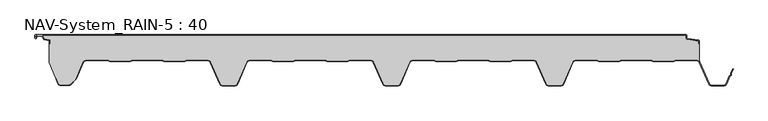
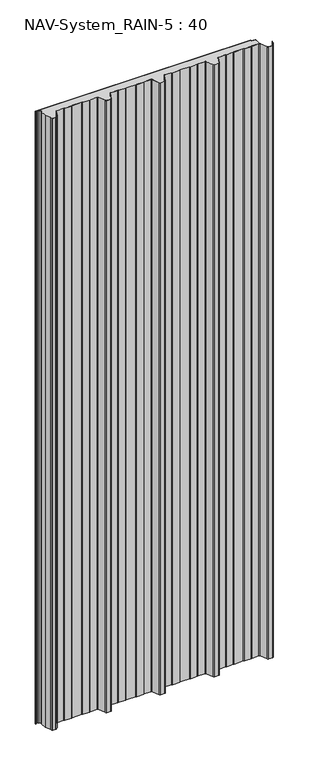
"""IFC4 building model written with IfcOpenShell, lengths in millimetres: plate geometry, NAV-System_RAIN-5 : 40."""

from ifc_helpers import new_model, si_unit, point, frame_2d, origin, origin_with_axes, place, context, project, spatial, polyline, circle_curve, trimmed, segment, composite_curve, outline, extrude, source, transform, mapped, element, save


def nav_system_rain_5_40_d8ed60e4(model_context):
    return source(origin(), model_context, "Body", "SweptSolid", [
        extrude(outline(composite_curve([segment(polyline([(519.0, -13.6767555), (518.2, -13.6767555), (518.2, -9.3721283), (500.4911207, -6.8818536)]), True, "CONTINUOUS"), segment(trimmed(circle_curve(frame_2d((500.7, -5.3964683)), 1.5), [point((500.4911207, -6.8818536))], [point((499.2, -5.3964683))], False, "CARTESIAN"), True, "CONTINUOUS"), segment(polyline([(499.2, -5.3964683), (499.2, -0.8), (-498.7, -0.8)]), True, "CONTINUOUS"), segment(trimmed(circle_curve(frame_2d((-498.7, -1.3)), 0.5), [point((-498.7, -0.8))], [point((-499.2, -1.3))], True, "CARTESIAN"), True, "CONTINUOUS"), segment(polyline([(-499.2, -1.3), (-499.2, -4.3700191)]), True, "CONTINUOUS"), segment(trimmed(circle_curve(frame_2d((-498.7, -4.3700191)), 0.5), [point((-499.2, -4.3700191))], [point((-498.2669873, -4.6200191))], True, "CARTESIAN"), True, "CONTINUOUS"), segment(polyline([(-498.2669873, -4.6200191), (-496.2924383, -1.2), (-488.9841833, -1.2), (-485.8164586, -6.6866602), (-477.2, -7.898332), (-477.2, -13.6767555), (-478.0, -13.6767555), (-478.0, -8.5937048), (-485.6863953, -7.5128213)]), True, "CONTINUOUS"), segment(trimmed(circle_curve(frame_2d((-485.5053666, -6.2254873)), 1.3), [point((-485.6863953, -7.5128213))], [point((-486.6311996, -6.8754873))], False, "CARTESIAN"), True, "CONTINUOUS"), segment(polyline([(-486.6311996, -6.8754873), (-489.4460636, -2.0), (-495.8305581, -2.0), (-497.574167, -5.0200191)]), True, "CONTINUOUS"), segment(trimmed(circle_curve(frame_2d((-498.7, -4.3700191)), 1.3), [point((-497.574167, -5.0200191))], [point((-500.0, -4.3700191))], False, "CARTESIAN"), True, "CONTINUOUS"), segment(polyline([(-500.0, -4.3700191), (-500.0, -1.3)]), True, "CONTINUOUS"), segment(trimmed(circle_curve(frame_2d((-498.7, -1.3)), 1.3), [point((-500.0, -1.3))], [point((-498.7, 0.0))], False, "CARTESIAN"), True, "CONTINUOUS"), segment(polyline([(-498.7, 0.0), (498.7, 0.0)]), True, "CONTINUOUS"), segment(trimmed(circle_curve(frame_2d((498.7, -1.3)), 1.3), [point((498.7, 0.0))], [point((500.0, -1.3))], False, "CARTESIAN"), True, "CONTINUOUS"), segment(polyline([(500.0, -1.3), (500.0, -5.3964683)]), True, "CONTINUOUS"), segment(trimmed(circle_curve(frame_2d((500.7, -5.3964683)), 0.7), [point((500.0, -5.3964683))], [point((500.602523, -6.0896481))], True, "CARTESIAN"), True, "CONTINUOUS"), segment(polyline([(500.602523, -6.0896481), (517.8810287, -8.5194024)]), True, "CONTINUOUS"), segment(trimmed(circle_curve(frame_2d((517.7, -9.8067363)), 1.3), [point((517.8810287, -8.5194024))], [point((519.0, -9.8067363))], False, "CARTESIAN"), True, "CONTINUOUS"), segment(polyline([(519.0, -9.8067363), (519.0, -13.6767555)]), True, "CONTINUOUS")], self_intersect=False)), origin_with_axes(), (0.0, 0.0, 1.0), 3000.0),
        extrude(outline(composite_curve([segment(trimmed(circle_curve(frame_2d((515.5898022, -44.0)), 4.8), [point((519.0, -40.6220493))], [point((515.5898022, -39.2))], True, "CARTESIAN"), True, "CONTINUOUS"), segment(polyline([(515.5898022, -39.2), (483.6922468, -39.2), (479.6508228, -40.7), (448.0723788, -40.6741102), (444.1768702, -39.2), (400.3589135, -39.2), (396.3174895, -40.7), (364.7390455, -40.6741102), (360.8435369, -39.2), (328.9416341, -39.2)]), True, "CONTINUOUS"), segment(trimmed(circle_curve(frame_2d((328.9416341, -44.0)), 4.8), [point((328.9416341, -39.2))], [point((324.5314363, -42.1052295))], True, "CARTESIAN"), True, "CONTINUOUS"), segment(polyline([(324.5314363, -42.1052295), (310.330878, -75.1579242)]), True, "CONTINUOUS"), segment(trimmed(circle_curve(frame_2d((306.4719549, -73.5)), 4.2), [point((310.330878, -75.1579242))], [point((306.4719549, -77.7))], False, "CARTESIAN"), True, "CONTINUOUS"), segment(polyline([(306.4719549, -77.7), (288.0594814, -77.7)]), True, "CONTINUOUS"), segment(trimmed(circle_curve(frame_2d((288.0594814, -73.5)), 4.2), [point((288.0594814, -77.7))], [point((284.2005583, -75.1579242))], False, "CARTESIAN"), True, "CONTINUOUS"), segment(polyline([(284.2005583, -75.1579242), (270.0, -42.1052295)]), True, "CONTINUOUS"), segment(trimmed(circle_curve(frame_2d((265.5898022, -44.0)), 4.8), [point((270.0, -42.1052295))], [point((265.5898022, -39.2))], True, "CARTESIAN"), True, "CONTINUOUS"), segment(polyline([(265.5898022, -39.2), (233.6922468, -39.2), (229.6508228, -40.7), (198.0723788, -40.6741102), (194.1768702, -39.2), (150.3589135, -39.2), (146.3174895, -40.7), (114.8074622, -40.7), (110.8435369, -39.2), (78.9416341, -39.2)]), True, "CONTINUOUS"), segment(trimmed(circle_curve(frame_2d((78.9416341, -44.0)), 4.8), [point((78.9416341, -39.2))], [point((74.5314363, -42.1052295))], True, "CARTESIAN"), True, "CONTINUOUS"), segment(polyline([(74.5314363, -42.1052295), (60.330878, -75.1579242)]), True, "CONTINUOUS"), segment(trimmed(circle_curve(frame_2d((56.4719549, -73.5)), 4.2), [point((60.330878, -75.1579242))], [point((56.4719549, -77.7))], False, "CARTESIAN"), True, "CONTINUOUS"), segment(polyline([(56.4719549, -77.7), (38.0594814, -77.7)]), True, "CONTINUOUS"), segment(trimmed(circle_curve(frame_2d((38.0594814, -73.5)), 4.2), [point((38.0594814, -77.7))], [point((34.2005583, -75.1579242))], False, "CARTESIAN"), True, "CONTINUOUS"), segment(polyline([(34.2005583, -75.1579242), (20.0, -42.1052295)]), True, "CONTINUOUS"), segment(trimmed(circle_curve(frame_2d((15.5898022, -44.0)), 4.8), [point((20.0, -42.1052295))], [point((15.5898022, -39.2))], True, "CARTESIAN"), True, "CONTINUOUS"), segment(polyline([(15.5898022, -39.2), (-16.3077532, -39.2), (-20.3491772, -40.7), (-51.9276212, -40.6741102), (-55.8231298, -39.2), (-99.6410865, -39.2), (-103.6825105, -40.7), (-135.1925378, -40.7), (-139.1564631, -39.2), (-171.0583659, -39.2)]), True, "CONTINUOUS"), segment(trimmed(circle_curve(frame_2d((-171.0583659, -44.0)), 4.8), [point((-171.0583659, -39.2))], [point((-175.4685637, -42.1052295))], True, "CARTESIAN"), True, "CONTINUOUS"), segment(polyline([(-175.4685637, -42.1052295), (-189.669122, -75.1579242)]), True, "CONTINUOUS"), segment(trimmed(circle_curve(frame_2d((-193.5280451, -73.5)), 4.2), [point((-189.669122, -75.1579242))], [point((-193.5280451, -77.7))], False, "CARTESIAN"), True, "CONTINUOUS"), segment(polyline([(-193.5280451, -77.7), (-211.9405186, -77.7)]), True, "CONTINUOUS"), segment(trimmed(circle_curve(frame_2d((-211.9405186, -73.5)), 4.2), [point((-211.9405186, -77.7))], [point((-215.7994417, -75.1579242))], False, "CARTESIAN"), True, "CONTINUOUS"), segment(polyline([(-215.7994417, -75.1579242), (-230.0, -42.1052295)]), True, "CONTINUOUS"), segment(trimmed(circle_curve(frame_2d((-234.4101978, -44.0)), 4.8), [point((-230.0, -42.1052295))], [point((-234.4101978, -39.2))], True, "CARTESIAN"), True, "CONTINUOUS"), segment(polyline([(-234.4101978, -39.2), (-266.3077532, -39.2), (-270.3491772, -40.7), (-301.9276212, -40.6741102), (-305.8231298, -39.2), (-349.6410865, -39.2), (-353.6825105, -40.7), (-385.1925378, -40.7), (-389.1564631, -39.2), (-421.9290751, -39.2)]), True, "CONTINUOUS"), segment(trimmed(circle_curve(frame_2d((-421.9290751, -44.0)), 4.8), [point((-421.9290751, -39.2))], [point((-426.3392729, -42.1052295))], True, "CARTESIAN"), True, "CONTINUOUS"), segment(polyline([(-426.3392729, -42.1052295), (-437.4245651, -67.9069459)]), True, "CONTINUOUS"), segment(trimmed(circle_curve(frame_2d((-441.2834882, -66.2490217)), 4.2), [point((-437.4245651, -67.9069459))], [point((-438.3136397, -69.2188701))], False, "CARTESIAN"), True, "CONTINUOUS"), segment(polyline([(-438.3136397, -69.2188701), (-444.764618, -75.6698485)]), True, "CONTINUOUS"), segment(trimmed(circle_curve(frame_2d((-447.7344665, -72.7)), 4.2), [point((-444.764618, -75.6698485))], [point((-447.7344665, -76.9))], False, "CARTESIAN"), True, "CONTINUOUS"), segment(polyline([(-447.7344665, -76.9), (-461.1405186, -76.9)]), True, "CONTINUOUS"), segment(trimmed(circle_curve(frame_2d((-461.1405186, -73.7)), 3.2), [point((-461.1405186, -76.9))], [point((-464.1022482, -74.9116756))], False, "CARTESIAN"), True, "CONTINUOUS"), segment(polyline([(-464.1022482, -74.9116756), (-467.6292254, -66.2905951), (-468.3696578, -66.593514), (-478.0, -43.053822), (-478.0, -13.6767555), (-477.2, -13.6767555), (-477.2, -7.898332), (-485.8164586, -6.6866602), (-488.9841833, -1.2), (-496.2924383, -1.2), (-498.2669873, -4.6200191)]), True, "CONTINUOUS"), segment(trimmed(circle_curve(frame_2d((-498.7, -4.3700191)), 0.5), [point((-498.2669873, -4.6200191))], [point((-499.2, -4.3700191))], False, "CARTESIAN"), True, "CONTINUOUS"), segment(polyline([(-499.2, -4.3700191), (-499.2, -1.3)]), True, "CONTINUOUS"), segment(trimmed(circle_curve(frame_2d((-498.7, -1.3)), 0.5), [point((-499.2, -1.3))], [point((-498.7, -0.8))], False, "CARTESIAN"), True, "CONTINUOUS"), segment(polyline([(-498.7, -0.8), (499.2, -0.8), (499.2, -5.3964683)]), True, "CONTINUOUS"), segment(trimmed(circle_curve(frame_2d((500.7, -5.3964683)), 1.5), [point((499.2, -5.3964683))], [point((500.4911207, -6.8818536))], True, "CARTESIAN"), True, "CONTINUOUS"), segment(polyline([(500.4911207, -6.8818536), (518.2, -9.3721283), (518.2, -13.6767555), (519.0, -13.6767555), (519.0, -40.6220493)]), True, "CONTINUOUS")], self_intersect=False)), origin_with_axes(), (0.0, 0.0, 1.0), 3000.0),
        extrude(outline(composite_curve([segment(polyline([(-464.8430228, -75.2145945), (-468.37, -66.593514), (-467.6295676, -66.2905951), (-464.1025904, -74.9116756)]), True, "CONTINUOUS"), segment(trimmed(circle_curve(frame_2d((-461.1408608, -73.7)), 3.2), [point((-464.1025904, -74.9116756))], [point((-461.1408608, -76.9))], True, "CARTESIAN"), True, "CONTINUOUS"), segment(polyline([(-461.1408608, -76.9), (-447.7348087, -76.9)]), True, "CONTINUOUS"), segment(trimmed(circle_curve(frame_2d((-447.7348087, -72.7)), 4.2), [point((-447.7348087, -76.9))], [point((-444.7649603, -75.6698485))], True, "CARTESIAN"), True, "CONTINUOUS"), segment(polyline([(-444.7649603, -75.6698485), (-438.3139819, -69.2188701)]), True, "CONTINUOUS"), segment(trimmed(circle_curve(frame_2d((-441.2838304, -66.2490217)), 4.2), [point((-438.3139819, -69.2188701))], [point((-437.4249073, -67.9069459))], True, "CARTESIAN"), True, "CONTINUOUS"), segment(polyline([(-437.4249073, -67.9069459), (-426.3396151, -42.1052295)]), True, "CONTINUOUS"), segment(trimmed(circle_curve(frame_2d((-421.9294173, -44.0)), 4.8), [point((-426.3396151, -42.1052295))], [point((-421.9294173, -39.2))], False, "CARTESIAN"), True, "CONTINUOUS"), segment(polyline([(-421.9294173, -39.2), (-389.1568054, -39.2), (-385.19288, -40.7), (-353.6828527, -40.7), (-349.6414287, -39.2), (-305.8234721, -39.2), (-301.9279634, -40.6741102), (-270.3495194, -40.7), (-266.3080954, -39.2), (-234.41054, -39.2)]), True, "CONTINUOUS"), segment(trimmed(circle_curve(frame_2d((-234.41054, -44.0)), 4.8), [point((-234.41054, -39.2))], [point((-230.0003422, -42.1052295))], False, "CARTESIAN"), True, "CONTINUOUS"), segment(polyline([(-230.0003422, -42.1052295), (-215.7997839, -75.1579242)]), True, "CONTINUOUS"), segment(trimmed(circle_curve(frame_2d((-211.9408608, -73.5)), 4.2), [point((-215.7997839, -75.1579242))], [point((-211.9408608, -77.7))], True, "CARTESIAN"), True, "CONTINUOUS"), segment(polyline([(-211.9408608, -77.7), (-193.5283873, -77.7)]), True, "CONTINUOUS"), segment(trimmed(circle_curve(frame_2d((-193.5283873, -73.5)), 4.2), [point((-193.5283873, -77.7))], [point((-189.6694642, -75.1579242))], True, "CARTESIAN"), True, "CONTINUOUS"), segment(polyline([(-189.6694642, -75.1579242), (-175.4689059, -42.1052295)]), True, "CONTINUOUS"), segment(trimmed(circle_curve(frame_2d((-171.0587081, -44.0)), 4.8), [point((-175.4689059, -42.1052295))], [point((-171.0587081, -39.2))], False, "CARTESIAN"), True, "CONTINUOUS"), segment(polyline([(-171.0587081, -39.2), (-139.1568054, -39.2), (-135.2612967, -40.6741102), (-103.6828527, -40.7), (-99.6414287, -39.2), (-55.8234721, -39.2), (-51.9279634, -40.6741102), (-20.3495194, -40.7), (-16.3080954, -39.2), (15.58946, -39.2)]), True, "CONTINUOUS"), segment(trimmed(circle_curve(frame_2d((15.58946, -44.0)), 4.8), [point((15.58946, -39.2))], [point((19.9996578, -42.1052295))], False, "CARTESIAN"), True, "CONTINUOUS"), segment(polyline([(19.9996578, -42.1052295), (34.2002161, -75.1579242)]), True, "CONTINUOUS"), segment(trimmed(circle_curve(frame_2d((38.0591392, -73.5)), 4.2), [point((34.2002161, -75.1579242))], [point((38.0591392, -77.7))], True, "CARTESIAN"), True, "CONTINUOUS"), segment(polyline([(38.0591392, -77.7), (56.4716127, -77.7)]), True, "CONTINUOUS"), segment(trimmed(circle_curve(frame_2d((56.4716127, -73.5)), 4.2), [point((56.4716127, -77.7))], [point((60.3305358, -75.1579242))], True, "CARTESIAN"), True, "CONTINUOUS"), segment(polyline([(60.3305358, -75.1579242), (74.5310941, -42.1052295)]), True, "CONTINUOUS"), segment(trimmed(circle_curve(frame_2d((78.9412919, -44.0)), 4.8), [point((74.5310941, -42.1052295))], [point((78.9412919, -39.2))], False, "CARTESIAN"), True, "CONTINUOUS"), segment(polyline([(78.9412919, -39.2), (110.8431946, -39.2), (114.7387033, -40.6741102), (146.3171473, -40.7), (150.3585713, -39.2), (194.1765279, -39.2), (198.0720366, -40.6741102), (229.6504806, -40.7), (233.6919046, -39.2), (265.58946, -39.2)]), True, "CONTINUOUS"), segment(trimmed(circle_curve(frame_2d((265.58946, -44.0)), 4.8), [point((265.58946, -39.2))], [point((269.9996578, -42.1052295))], False, "CARTESIAN"), True, "CONTINUOUS"), segment(polyline([(269.9996578, -42.1052295), (284.2002161, -75.1579242)]), True, "CONTINUOUS"), segment(trimmed(circle_curve(frame_2d((288.0591392, -73.5)), 4.2), [point((284.2002161, -75.1579242))], [point((288.0591392, -77.7))], True, "CARTESIAN"), True, "CONTINUOUS"), segment(polyline([(288.0591392, -77.7), (306.4716127, -77.7)]), True, "CONTINUOUS"), segment(trimmed(circle_curve(frame_2d((306.4716127, -73.5)), 4.2), [point((306.4716127, -77.7))], [point((310.3305358, -75.1579242))], True, "CARTESIAN"), True, "CONTINUOUS"), segment(polyline([(310.3305358, -75.1579242), (324.5310941, -42.1052295)]), True, "CONTINUOUS"), segment(trimmed(circle_curve(frame_2d((328.9412919, -44.0)), 4.8), [point((324.5310941, -42.1052295))], [point((328.9412919, -39.2))], False, "CARTESIAN"), True, "CONTINUOUS"), segment(polyline([(328.9412919, -39.2), (360.8431946, -39.2), (364.7387033, -40.6741102), (396.3171473, -40.7), (400.3585713, -39.2), (444.1765279, -39.2), (448.0720366, -40.6741102), (479.6504806, -40.7), (483.6919046, -39.2), (515.58946, -39.2)]), True, "CONTINUOUS"), segment(trimmed(circle_curve(frame_2d((515.58946, -44.0)), 4.8), [point((515.58946, -39.2))], [point((519.9996578, -42.1052295))], False, "CARTESIAN"), True, "CONTINUOUS"), segment(polyline([(519.9996578, -42.1052295), (534.2002161, -75.1579242)]), True, "CONTINUOUS"), segment(trimmed(circle_curve(frame_2d((538.0591392, -73.5)), 4.2), [point((534.2002161, -75.1579242))], [point((538.0591392, -77.7))], True, "CARTESIAN"), True, "CONTINUOUS"), segment(polyline([(538.0591392, -77.7), (556.4716127, -77.7)]), True, "CONTINUOUS"), segment(trimmed(circle_curve(frame_2d((556.4716127, -73.5)), 4.2), [point((556.4716127, -77.7))], [point((560.3305358, -75.1579242))], True, "CARTESIAN"), True, "CONTINUOUS"), segment(polyline([(560.3305358, -75.1579242), (565.2356202, -63.741031), (567.1121268, -62.0654564), (567.0358547, -59.5508717), (570.0831709, -52.458051), (570.8182039, -52.7738461), (567.8408612, -59.703799), (567.9230626, -62.4138642), (565.9006789, -64.2196957), (561.0655687, -75.4737193)]), True, "CONTINUOUS"), segment(trimmed(circle_curve(frame_2d((556.4716127, -73.5)), 5.0), [point((561.0655687, -75.4737193))], [point((556.4716127, -78.5))], False, "CARTESIAN"), True, "CONTINUOUS"), segment(polyline([(556.4716127, -78.5), (538.0591392, -78.5)]), True, "CONTINUOUS"), segment(trimmed(circle_curve(frame_2d((538.0591392, -73.5)), 5.0), [point((538.0591392, -78.5))], [point((533.4651831, -75.4737193))], False, "CARTESIAN"), True, "CONTINUOUS"), segment(polyline([(533.4651831, -75.4737193), (519.2646248, -42.4210246)]), True, "CONTINUOUS"), segment(trimmed(circle_curve(frame_2d((515.58946, -44.0)), 4.0), [point((519.2646248, -42.4210246))], [point((515.58946, -40.0))], True, "CARTESIAN"), True, "CONTINUOUS"), segment(polyline([(515.58946, -40.0), (483.8338601, -40.0), (479.8699347, -41.5), (447.9941505, -41.5), (444.0302251, -40.0), (400.5005268, -40.0), (396.5366014, -41.5), (364.6608172, -41.5), (360.6968918, -40.0), (328.9412919, -40.0)]), True, "CONTINUOUS"), segment(trimmed(circle_curve(frame_2d((328.9412919, -44.0)), 4.0), [point((328.9412919, -40.0))], [point((325.2661271, -42.4210246))], True, "CARTESIAN"), True, "CONTINUOUS"), segment(polyline([(325.2661271, -42.4210246), (311.0655687, -75.4737193)]), True, "CONTINUOUS"), segment(trimmed(circle_curve(frame_2d((306.4716127, -73.5)), 5.0), [point((311.0655687, -75.4737193))], [point((306.4716127, -78.5))], False, "CARTESIAN"), True, "CONTINUOUS"), segment(polyline([(306.4716127, -78.5), (288.0591392, -78.5)]), True, "CONTINUOUS"), segment(trimmed(circle_curve(frame_2d((288.0591392, -73.5)), 5.0), [point((288.0591392, -78.5))], [point((283.4651831, -75.4737193))], False, "CARTESIAN"), True, "CONTINUOUS"), segment(polyline([(283.4651831, -75.4737193), (269.2646248, -42.4210246)]), True, "CONTINUOUS"), segment(trimmed(circle_curve(frame_2d((265.58946, -44.0)), 4.0), [point((269.2646248, -42.4210246))], [point((265.58946, -40.0))], True, "CARTESIAN"), True, "CONTINUOUS"), segment(polyline([(265.58946, -40.0), (233.8338601, -40.0), (229.8699347, -41.5), (197.9941505, -41.5), (194.0302251, -40.0), (150.5005268, -40.0), (146.5366014, -41.5), (114.6608172, -41.5), (110.6968918, -40.0), (78.9412919, -40.0)]), True, "CONTINUOUS"), segment(trimmed(circle_curve(frame_2d((78.9412919, -44.0)), 4.0), [point((78.9412919, -40.0))], [point((75.2661271, -42.4210246))], True, "CARTESIAN"), True, "CONTINUOUS"), segment(polyline([(75.2661271, -42.4210246), (61.0655687, -75.4737193)]), True, "CONTINUOUS"), segment(trimmed(circle_curve(frame_2d((56.4716127, -73.5)), 5.0), [point((61.0655687, -75.4737193))], [point((56.4716127, -78.5))], False, "CARTESIAN"), True, "CONTINUOUS"), segment(polyline([(56.4716127, -78.5), (38.0591392, -78.5)]), True, "CONTINUOUS"), segment(trimmed(circle_curve(frame_2d((38.0591392, -73.5)), 5.0), [point((38.0591392, -78.5))], [point((33.4651831, -75.4737193))], False, "CARTESIAN"), True, "CONTINUOUS"), segment(polyline([(33.4651831, -75.4737193), (19.2646248, -42.4210246)]), True, "CONTINUOUS"), segment(trimmed(circle_curve(frame_2d((15.58946, -44.0)), 4.0), [point((19.2646248, -42.4210246))], [point((15.58946, -40.0))], True, "CARTESIAN"), True, "CONTINUOUS"), segment(polyline([(15.58946, -40.0), (-16.1661399, -40.0), (-20.1300653, -41.5), (-52.0058495, -41.5), (-55.9697749, -40.0), (-99.4994732, -40.0), (-103.4633986, -41.5), (-135.3391828, -41.5), (-139.3031082, -40.0), (-171.0587081, -40.0)]), True, "CONTINUOUS"), segment(trimmed(circle_curve(frame_2d((-171.0587081, -44.0)), 4.0), [point((-171.0587081, -40.0))], [point((-174.7338729, -42.4210246))], True, "CARTESIAN"), True, "CONTINUOUS"), segment(polyline([(-174.7338729, -42.4210246), (-188.9344313, -75.4737193)]), True, "CONTINUOUS"), segment(trimmed(circle_curve(frame_2d((-193.5283873, -73.5)), 5.0), [point((-188.9344313, -75.4737193))], [point((-193.5283873, -78.5))], False, "CARTESIAN"), True, "CONTINUOUS"), segment(polyline([(-193.5283873, -78.5), (-211.9408608, -78.5)]), True, "CONTINUOUS"), segment(trimmed(circle_curve(frame_2d((-211.9408608, -73.5)), 5.0), [point((-211.9408608, -78.5))], [point((-216.5348169, -75.4737193))], False, "CARTESIAN"), True, "CONTINUOUS"), segment(polyline([(-216.5348169, -75.4737193), (-230.7353752, -42.4210246)]), True, "CONTINUOUS"), segment(trimmed(circle_curve(frame_2d((-234.41054, -44.0)), 4.0), [point((-230.7353752, -42.4210246))], [point((-234.41054, -40.0))], True, "CARTESIAN"), True, "CONTINUOUS"), segment(polyline([(-234.41054, -40.0), (-266.1661399, -40.0), (-270.1300653, -41.5), (-302.0058495, -41.5), (-305.9697749, -40.0), (-349.4994732, -40.0), (-353.4633986, -41.5), (-385.3391828, -41.5), (-389.3031082, -40.0), (-421.9294173, -40.0)]), True, "CONTINUOUS"), segment(trimmed(circle_curve(frame_2d((-421.9294173, -44.0)), 4.0), [point((-421.9294173, -40.0))], [point((-425.6045822, -42.4210246))], True, "CARTESIAN"), True, "CONTINUOUS"), segment(polyline([(-425.6045822, -42.4210246), (-436.6898744, -68.2227409)]), True, "CONTINUOUS"), segment(trimmed(circle_curve(frame_2d((-441.2838304, -66.2490217)), 5.0), [point((-436.6898744, -68.2227409))], [point((-437.7482965, -69.7845556))], False, "CARTESIAN"), True, "CONTINUOUS"), segment(polyline([(-437.7482965, -69.7845556), (-444.1992748, -76.2355339)]), True, "CONTINUOUS"), segment(trimmed(circle_curve(frame_2d((-447.7348087, -72.7)), 5.0), [point((-444.1992748, -76.2355339))], [point((-447.7348087, -77.7))], False, "CARTESIAN"), True, "CONTINUOUS"), segment(polyline([(-447.7348087, -77.7), (-461.1408608, -77.7)]), True, "CONTINUOUS"), segment(trimmed(circle_curve(frame_2d((-461.1408608, -73.7)), 4.0), [point((-461.1408608, -77.7))], [point((-464.8430228, -75.2145945))], False, "CARTESIAN"), True, "CONTINUOUS")], self_intersect=False)), origin_with_axes(), (0.0, 0.0, 1.0), 3000.0),
    ])


if __name__ == "__main__":
    model = new_model("IFC4")
    model_context = context("Model", 3, world=origin())
    ifc_project = project(units=[si_unit("LENGTHUNIT", "METRE", prefix="MILLI")], contexts=[model_context])
    site = spatial("IfcSite", under=ifc_project)
    building = spatial("IfcBuilding", under=site)
    placement = place(None, origin())
    nav_system_rain_5_40_shape = nav_system_rain_5_40_d8ed60e4(model_context)
    element("IfcPlate", 1, ObjectType="NAV-System_RAIN-5 : 40", at=placement, inside=building, context=model_context, shape_type="MappedRepresentation", body=[
        mapped(nav_system_rain_5_40_shape, transform((0.0, 0.0, 0.0), x_axis=(1.0, 0.0, 0.0), y_axis=(0.0, 1.0, 0.0), z_axis=(0.0, 0.0, 1.0))),
    ])
    save(model, "model.ifc")
